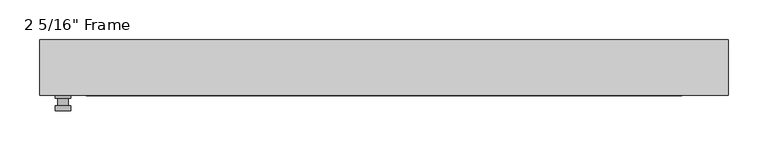
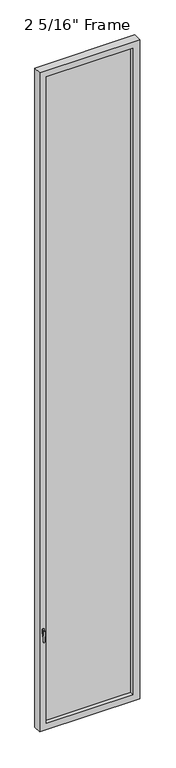
"""IFC4 building model written with IfcOpenShell, lengths in millimetres: plate geometry."""

from ifc_helpers import new_model, si_unit, frame, origin, place, context, project, spatial, polyline, circle_curve, outline, extrude, faceted_brep, source, transform, mapped, element, save
from ifc_brep_helpers import plane_surface, cylinder_surface, advanced_brep


def plate_e84c03a0(model_context):
    return source(origin(), model_context, "Body", "SolidModel", [
        advanced_brep(
        [(-394.81125, -34.925, 927.1), (-394.81125, -34.925, 901.7), (-413.86125, -34.925, 901.7), (-413.86125, -34.925, 927.1), (-397.98625, -47.625, 914.4), (-410.68625, -47.625, 914.4), (-410.68625, -38.1, 914.4), (-397.98625, -38.1, 914.4), (-394.81125, -47.625, 914.4), (-397.9902856, -47.625, 825.2736467), (-410.6822144, -47.625, 825.2736467), (-413.86125, -47.625, 914.4), (-394.81125, -53.975, 914.4), (-413.86125, -53.975, 914.4), (-410.6822144, -53.975, 825.2736467), (-397.9902856, -53.975, 825.2736467), (-394.81125, -38.1, 927.1), (-413.86125, -38.1, 927.1), (-413.86125, -38.1, 901.7), (-394.81125, -38.1, 901.7)],
        [
            (0, 1),
            (1, 2, circle_curve(frame((-404.33625, -34.925, 901.7), z_axis=(0.0, 1.0, 0.0), x_axis=(-1.0, 0.0, 0.0)), 9.525)),
            (2, 3),
            (3, 0, circle_curve(frame((-404.33625, -34.925, 927.1), z_axis=(0.0, 1.0, 0.0), x_axis=(-1.0, 0.0, 0.0)), 9.525)),
            (4, 5, circle_curve(frame((-404.33625, -47.625, 914.4), z_axis=(0.0, 1.0, 0.0), x_axis=(-1.0, 0.0, 0.0)), 6.35)),
            (5, 6),
            (6, 7, circle_curve(frame((-404.33625, -38.1, 914.4), z_axis=(0.0, -1.0, 0.0), x_axis=(-1.0, 0.0, 0.0)), 6.35)),
            (7, 4),
            (5, 4, circle_curve(frame((-404.33625, -47.625, 914.4), z_axis=(0.0, 1.0, 0.0), x_axis=(-1.0, 0.0, 0.0)), 6.35)),
            (7, 6, circle_curve(frame((-404.33625, -38.1, 914.4), z_axis=(0.0, -1.0, 0.0), x_axis=(-1.0, 0.0, 0.0)), 6.35)),
            (8, 9),
            (9, 10, circle_curve(frame((-404.33625, -47.625, 825.5), z_axis=(0.0, 1.0, 0.0), x_axis=(-1.0, 0.0, 0.0)), 6.35)),
            (10, 11),
            (11, 8, circle_curve(frame((-404.33625, -47.625, 914.4), z_axis=(0.0, 1.0, 0.0), x_axis=(-1.0, 0.0, 0.0)), 9.525)),
            (12, 13, circle_curve(frame((-404.33625, -53.975, 914.4), z_axis=(0.0, -1.0, 0.0), x_axis=(-1.0, 0.0, 0.0)), 9.525)),
            (13, 14),
            (14, 15, circle_curve(frame((-404.33625, -53.975, 825.5), z_axis=(0.0, -1.0, 0.0), x_axis=(-1.0, 0.0, 0.0)), 6.35)),
            (15, 12),
            (8, 12),
            (15, 9),
            (14, 10),
            (13, 11),
            (16, 17, circle_curve(frame((-404.33625, -38.1, 927.1), z_axis=(0.0, -1.0, 0.0), x_axis=(-1.0, 0.0, 0.0)), 9.525)),
            (17, 18),
            (18, 19, circle_curve(frame((-404.33625, -38.1, 901.7), z_axis=(0.0, -1.0, 0.0), x_axis=(-1.0, 0.0, 0.0)), 9.525)),
            (19, 16),
            (0, 16),
            (19, 1),
            (18, 2),
            (17, 3),
        ],
        [
            plane_surface(frame((-410.68625, -34.925, 914.4), z_axis=(0.0, 1.0, 0.0), x_axis=(0.0, 0.0, 1.0))),
            cylinder_surface(frame((-404.33625, -47.625, 914.4), z_axis=(0.0, 1.0, 0.0), x_axis=(-1.0, 0.0, 0.0)), 6.35),
            plane_surface(frame((-394.81125, -47.625, 914.4), z_axis=(0.0, 1.0000000000000002, 0.0), x_axis=(-0.03564619348186888, 0.0, -0.9993644724975235))),
            plane_surface(frame((-394.81125, -53.975, 914.4), z_axis=(0.0, -1.0000000000000002, 0.0), x_axis=(0.03564619348186888, 0.0, 0.9993644724975235))),
            plane_surface(frame((-394.81125, -47.625, 914.4), z_axis=(0.9993644724975235, 0.0, -0.03564619348186888), x_axis=(0.0, -1.0, 0.0))),
            cylinder_surface(frame((-404.33625, -53.975, 825.5), z_axis=(0.0, 1.0, 0.0), x_axis=(-1.0, 0.0, 0.0)), 6.35),
            plane_surface(frame((-410.6822144, -47.625, 825.2736467), z_axis=(-0.9993644724975228, 0.0, -0.03564619348188612), x_axis=(0.0, -1.0, 0.0))),
            cylinder_surface(frame((-404.33625, -53.975, 914.4), z_axis=(0.0, 1.0, 0.0), x_axis=(-1.0, 0.0, 0.0)), 9.525),
            plane_surface(frame((-394.81125, -38.1, 901.7), z_axis=(0.0, -1.0, 0.0), x_axis=(0.0, 0.0, 1.0))),
            plane_surface(frame((-394.81125, -34.925, 927.1), z_axis=(1.0, 0.0, 0.0), x_axis=(0.0, -1.0, 0.0))),
            cylinder_surface(frame((-404.33625, -38.1, 901.7), z_axis=(0.0, 1.0, 0.0), x_axis=(-1.0, 0.0, 0.0)), 9.525),
            plane_surface(frame((-413.86125, -34.925, 901.7), z_axis=(-1.0, 0.0, 0.0), x_axis=(0.0, -1.0, 0.0))),
            cylinder_surface(frame((-404.33625, -38.1, 927.1), z_axis=(0.0, 1.0, 0.0), x_axis=(-1.0, 0.0, 0.0)), 9.525),
        ],
        [
            (0, [[1, 2, 3, 4]]),
            (1, [[5, 6, 7, 8]]),
            (1, [[9, -8, 10, -6]]),
            (2, [[11, 12, 13, 14], [-5, -9]]),
            (3, [[15, 16, 17, 18]]),
            (4, [[-11, 19, -18, 20]]),
            (5, [[-12, -20, -17, 21]]),
            (6, [[-13, -21, -16, 22]]),
            (7, [[-14, -22, -15, -19]]),
            (8, [[23, 24, 25, 26], [-7, -10]]),
            (9, [[-1, 27, -26, 28]]),
            (10, [[-2, -28, -25, 29]]),
            (11, [[-3, -29, -24, 30]]),
            (12, [[-4, -30, -23, -27]]),
        ],
    ),
        faceted_brep([(-433.705, -34.925, 0.0), (-433.705, 34.925, 0.0), (433.705, 34.925, 0.0), (433.705, -34.925, 0.0), (-374.9675, 34.925, 5989.6375), (-374.9675, 22.225, 5989.6375), (-374.9675, 22.225, 58.7375), (-374.9675, 34.925, 58.7375), (387.6675, 22.225, 6002.3375), (-387.6675, 22.225, 6002.3375), (-387.6675, 22.225, 46.0375), (387.6675, 22.225, 46.0375), (374.9675, 22.225, 5989.6375), (374.9675, 22.225, 58.7375), (-387.6675, -1.5875, 6002.3375), (-387.6675, -1.5875, 46.0375), (387.6675, -1.5875, 6002.3375), (387.6675, -1.5875, 46.0375), (-374.9675, -1.5875, 5989.6375), (-374.9675, -1.5875, 58.7375), (374.9675, -1.5875, 58.7375), (374.9675, -1.5875, 5989.6375), (-374.9675, -34.925, 5989.6375), (-374.9675, -34.925, 58.7375), (433.705, -34.925, 6048.375), (-433.705, -34.925, 6048.375), (374.9675, -34.925, 5989.6375), (374.9675, -34.925, 58.7375), (-433.705, 34.925, 6048.375), (433.705, 34.925, 6048.375), (374.9675, 34.925, 58.7375), (374.9675, 34.925, 5989.6375)], [[[0, 1, 2, 3]], [[4, 5, 6, 7]], [[8, 9, 10, 11], [5, 12, 13, 6]], [[10, 9, 14, 15]], [[14, 16, 17, 15], [18, 19, 20, 21]], [[18, 22, 23, 19]], [[0, 3, 24, 25], [22, 26, 27, 23]], [[1, 0, 25, 28]], [[2, 1, 28, 29], [4, 7, 30, 31]], [[5, 4, 31, 12]], [[9, 8, 16, 14]], [[18, 21, 26, 22]], [[25, 24, 29, 28]], [[12, 31, 30, 13]], [[17, 16, 8, 11]], [[26, 21, 20, 27]], [[24, 3, 2, 29]], [[23, 27, 20, 19]], [[11, 10, 15, 17]], [[6, 13, 30, 7]]]),
        extrude(outline(polyline([(387.6675, -1.5875), (-387.6675, -1.5875), (-387.6675, 22.225), (387.6675, 22.225), (387.6675, -1.5875)])), frame((0.0, 0.0, 46.0375), z_axis=(0.0, 0.0, 1.0), x_axis=(1.0, 0.0, 0.0)), (0.0, 0.0, 1.0), 5956.3),
    ])


if __name__ == "__main__":
    model = new_model("IFC4")
    model_context = context("Model", 3, world=origin())
    ifc_project = project(units=[si_unit("LENGTHUNIT", "METRE", prefix="MILLI")], contexts=[model_context])
    site = spatial("IfcSite", under=ifc_project)
    building = spatial("IfcBuilding", under=site)
    placement = place(None, origin())
    plate_shape = plate_e84c03a0(model_context)
    element("IfcPlate", 1, ObjectType="2 5/16\" Frame", at=placement, inside=building, context=model_context, shape_type="MappedRepresentation", body=[
        mapped(plate_shape, transform((0.0, 0.0, 0.0), x_axis=(1.0, 0.0, 0.0), y_axis=(0.0, 1.0, 0.0), z_axis=(0.0, 0.0, 1.0))),
    ])
    save(model, "model.ifc")
